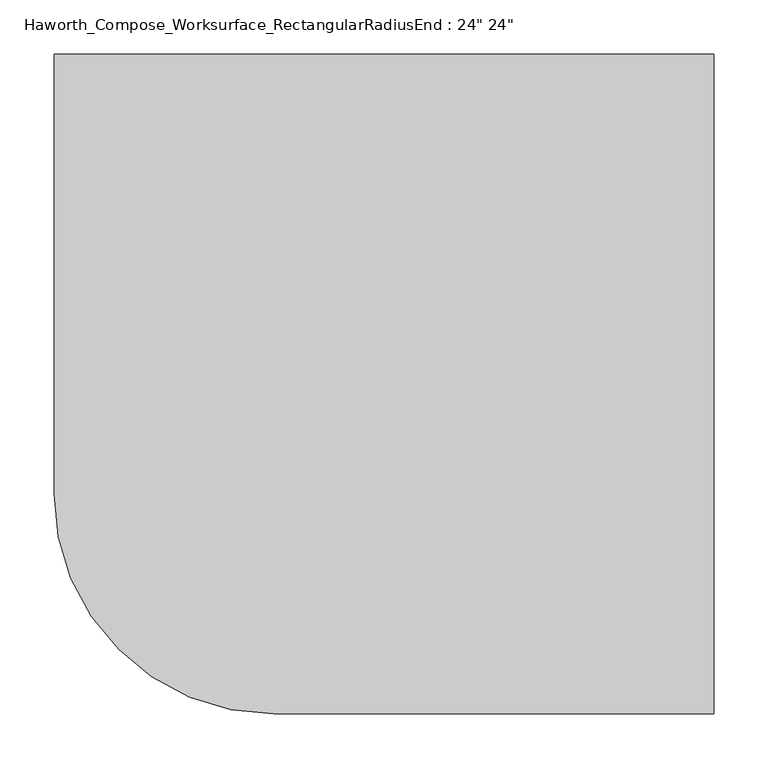
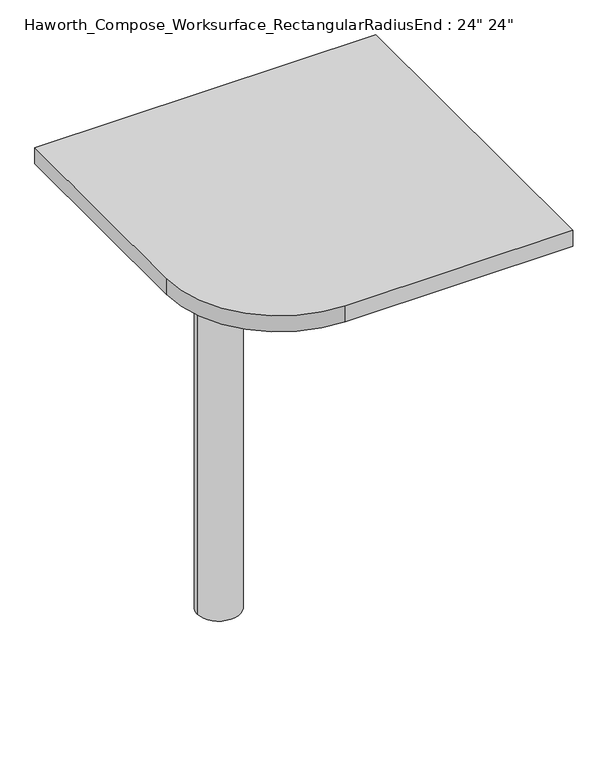
"""IFC4 building model written with IfcOpenShell, lengths in millimetres: furniture geometry."""

import ifcopenshell
import ifcopenshell.guid

model = None  # the IFC model being written
_history = None  # IfcOwnerHistory: only IFC2X3 demands one
_inside = {}  # id of a spatial element -> (the spatial element, [elements in it])
_under = {}  # id of a project, library or spatial element -> (it, [spatial elements below it])
_declared = {}  # id of a project -> (the project, [libraries it declares])
_typed = {}  # id of a type object -> (the type object, [elements of that type])
_made_of = {}  # id of a material, layer set ... -> (it, [elements and type objects made of it])


def new_model(schema):
    """Start an empty IFC model of exactly this schema.

    Asked for "IFC4X3", IfcOpenShell would pick the latest addendum, in which some entities
    have other attributes; the version numbers below select the first issue.
    IFC2X3 requires an IfcOwnerHistory on every rooted entity: one is made here for all.
    """
    global model, _history
    if schema == "IFC4X3":
        model = ifcopenshell.file(schema_version=(4, 3, 0, 0))
    else:
        model = ifcopenshell.file(schema=schema)
    _inside.clear()
    _under.clear()
    _declared.clear()
    _typed.clear()
    _made_of.clear()
    _history = None
    if model.schema == "IFC2X3":
        org = make("IfcOrganization", Name="unknown")
        user = make(
            "IfcPersonAndOrganization",
            ThePerson=make("IfcPerson", FamilyName="unknown"),
            TheOrganization=org,
        )
        app = make(
            "IfcApplication",
            ApplicationDeveloper=org,
            Version="unknown",
            ApplicationFullName="unknown",
            ApplicationIdentifier="unknown",
        )
        _history = make(
            "IfcOwnerHistory",
            OwningUser=user,
            OwningApplication=app,
            ChangeAction="ADDED",
            CreationDate=0,
        )
    return model


def make(cls, **values):
    """One entity of the class cls with the attributes given. An attribute that is None is left unset."""
    return model.create_entity(
        cls, **{name: value for name, value in values.items() if value is not None}
    )


def rooted(cls, **values):
    """An entity with a GlobalId (a new one), such as an element, a storey or a relation."""
    return make(cls, GlobalId=ifcopenshell.guid.new(), OwnerHistory=_history, **values)


def si_unit(unit_type, name, prefix=None):
    """IfcSIUnit, for example si_unit("LENGTHUNIT", "METRE", prefix="MILLI")."""
    return make("IfcSIUnit", UnitType=unit_type, Prefix=prefix, Name=name)


def assignment(units):
    """IfcUnitAssignment: the units of a project."""
    return None if units is None else make("IfcUnitAssignment", Units=units)


def point(xyz):
    """IfcCartesianPoint."""
    return None if xyz is None else make("IfcCartesianPoint", Coordinates=xyz)


def direction(xyz):
    """IfcDirection."""
    return None if xyz is None else make("IfcDirection", DirectionRatios=xyz)


def frame(location, z_axis=None, x_axis=None):
    """IfcAxis2Placement3D, a coordinate frame: its origin and axes. An axis left out is left unset."""
    return make(
        "IfcAxis2Placement3D",
        Location=point(location),
        Axis=direction(z_axis),
        RefDirection=direction(x_axis),
    )


def frame_2d(location, x_axis=None):
    """IfcAxis2Placement2D, a coordinate frame in the plane: its origin and x axis."""
    return make(
        "IfcAxis2Placement2D", Location=point(location), RefDirection=direction(x_axis)
    )


def origin():
    """The frame at (0, 0, 0) with its axes left unset."""
    return frame((0.0, 0.0, 0.0))


def place(relative_to, where):
    """IfcLocalPlacement: puts the frame where relative to a parent placement (None: the world)."""
    return make(
        "IfcLocalPlacement", PlacementRelTo=relative_to, RelativePlacement=where
    )


def context(
    kind, dimensions, precision=None, world=None, true_north=None, identifier=None
):
    """IfcGeometricRepresentationContext, for example the 3D "Model" context."""
    return make(
        "IfcGeometricRepresentationContext",
        ContextIdentifier=identifier,
        ContextType=kind,
        CoordinateSpaceDimension=dimensions,
        Precision=precision,
        WorldCoordinateSystem=world,
        TrueNorth=true_north,
    )


def project(units=None, contexts=None):
    """IfcProject with its units and contexts."""
    return rooted(
        "IfcProject",
        Name="project",
        RepresentationContexts=contexts,
        UnitsInContext=assignment(units),
    )


def spatial(cls, under=None, at=None, **own):
    """A site, building, storey or space (cls), placed at a placement, below another one or the project."""
    s = rooted(cls, ObjectPlacement=at, **own)
    if under is not None:
        _under.setdefault(under.id(), (under, []))[1].append(s)
    return s


def polyline(points):
    """IfcPolyline through the points."""
    return make("IfcPolyline", Points=[point(p) for p in points])


def circle_curve(where, radius):
    """IfcCircle in the frame where."""
    return make("IfcCircle", Position=where, Radius=radius)


def trimmed(basis, trim1, trim2, sense, master):
    """IfcTrimmedCurve: the piece of a basis curve between two trims."""
    return make(
        "IfcTrimmedCurve",
        BasisCurve=basis,
        Trim1=trim1,
        Trim2=trim2,
        SenseAgreement=sense,
        MasterRepresentation=master,
    )


def segment(curve, same_sense, transition):
    """IfcCompositeCurveSegment."""
    return make(
        "IfcCompositeCurveSegment",
        Transition=transition,
        SameSense=same_sense,
        ParentCurve=curve,
    )


def composite_curve(segments, self_intersect=None):
    """IfcCompositeCurve: segments joined end to end."""
    return make("IfcCompositeCurve", Segments=segments, SelfIntersect=self_intersect)


def outline(outer, holes=None, kind="AREA"):
    """IfcArbitraryClosedProfileDef: a profile drawn as a closed curve; with holes, ...WithVoids."""
    if holes is None:
        return make("IfcArbitraryClosedProfileDef", ProfileType=kind, OuterCurve=outer)
    return make(
        "IfcArbitraryProfileDefWithVoids",
        ProfileType=kind,
        OuterCurve=outer,
        InnerCurves=holes,
    )


def extrude(swept, where, along, depth):
    """IfcExtrudedAreaSolid: the profile swept, set in the frame where, extruded along a direction by depth."""
    return make(
        "IfcExtrudedAreaSolid",
        SweptArea=swept,
        Position=where,
        ExtrudedDirection=direction(along),
        Depth=depth,
    )


def shape(context_of_items, identifier, shape_type, items):
    """IfcShapeRepresentation: the items that make up one representation, for example the "Body"."""
    return make(
        "IfcShapeRepresentation",
        ContextOfItems=context_of_items,
        RepresentationIdentifier=identifier,
        RepresentationType=shape_type,
        Items=items,
    )


def source(mapping_origin, context_of_items, identifier, shape_type, items):
    """IfcRepresentationMap: a shape defined once, which mapped items show again and again."""
    return make(
        "IfcRepresentationMap",
        MappingOrigin=mapping_origin,
        MappedRepresentation=shape(context_of_items, identifier, shape_type, items),
    )


def transform(
    local_origin,
    x_axis=None,
    y_axis=None,
    z_axis=None,
    scale=None,
    scale2=None,
    scale3=None,
    uniform=True,
):
    """IfcCartesianTransformationOperator3D, or its non-uniform kind. x_axis, y_axis, z_axis: its Axis1, 2, 3."""
    if uniform:
        return make(
            "IfcCartesianTransformationOperator3D",
            Axis1=direction(x_axis),
            Axis2=direction(y_axis),
            LocalOrigin=point(local_origin),
            Scale=scale,
            Axis3=direction(z_axis),
        )
    return make(
        "IfcCartesianTransformationOperator3DnonUniform",
        Axis1=direction(x_axis),
        Axis2=direction(y_axis),
        LocalOrigin=point(local_origin),
        Scale=scale,
        Axis3=direction(z_axis),
        Scale2=scale2,
        Scale3=scale3,
    )


def mapped(mapping_source, mapping_target):
    """IfcMappedItem: shows the shape of a source again, moved by a transform."""
    return make(
        "IfcMappedItem", MappingSource=mapping_source, MappingTarget=mapping_target
    )


def made_of(thing, what):
    """Note that an element or type object is made of a material, layer set ...; save() writes the relation."""
    if what is not None:
        _made_of.setdefault(what.id(), (what, []))[1].append(thing)
    return thing


def element(
    cls,
    number,
    at=None,
    inside=None,
    cuts=None,
    type_object=None,
    material=None,
    context=None,
    identifier="Body",
    shape_type=None,
    held_by="IfcProductDefinitionShape",
    body=None,
    shapes=None,
    **own,
):
    """One element of the class cls, such as IfcWall. Its Tag is "e" and its number.

    at: its placement. inside: the storey or other place that contains it. cuts: it is an
    opening in that element (IfcRelVoidsElement). A single representation is given by context,
    identifier, shape_type and body (its items); several are given by shapes. held_by: the class
    of the entity that holds the representations. save() writes the other relations.
    """
    e = rooted(cls, Tag="e%d" % number, ObjectPlacement=at, **own)
    if body is not None:
        shapes = [shape(context, identifier, shape_type, body)]
    if shapes is not None:
        e.Representation = make(held_by, Representations=shapes)
    if inside is not None:
        _inside.setdefault(inside.id(), (inside, []))[1].append(e)
    if cuts is not None:
        rooted(
            "IfcRelVoidsElement", RelatingBuildingElement=cuts, RelatedOpeningElement=e
        )
    if type_object is not None:
        _typed.setdefault(type_object.id(), (type_object, []))[1].append(e)
    return made_of(e, material)


def aggregate(whole, parts):
    """IfcRelAggregates: a whole, such as a stair, and the parts it consists of."""
    return rooted("IfcRelAggregates", RelatingObject=whole, RelatedObjects=parts)


def save(model, path):
    """Write the relations noted so far, then the file.

    IfcRelAggregates (storeys below a building ...), IfcRelContainedInSpatialStructure (elements
    in a storey), IfcRelDefinesByType, IfcRelAssociatesMaterial and IfcRelDeclares: one each for
    every whole, place, type object, material and project.
    """
    for whole, parts in _under.values():
        aggregate(whole, parts)
    for where, things in _inside.values():
        rooted(
            "IfcRelContainedInSpatialStructure",
            RelatedElements=things,
            RelatingStructure=where,
        )
    for kind, things in _typed.values():
        rooted("IfcRelDefinesByType", RelatedObjects=things, RelatingType=kind)
    for what, things in _made_of.values():
        rooted("IfcRelAssociatesMaterial", RelatedObjects=things, RelatingMaterial=what)
    for by, libraries in _declared.values():
        rooted("IfcRelDeclares", RelatingContext=by, RelatedDefinitions=libraries)
    model.write(path)


def plane_surface(at):
    """IfcPlane: the flat surface through the origin of the frame at, square to its z axis."""
    return make("IfcPlane", Position=at)


def cylinder_surface(at, radius):
    """IfcCylindricalSurface: all points at the distance radius from the z axis of the frame at."""
    return make("IfcCylindricalSurface", Position=at, Radius=radius)


def revolved_surface(curve, axis_point, axis_direction):
    """IfcSurfaceOfRevolution: the curve turned about the line through axis_point along axis_direction."""
    return make(
        "IfcSurfaceOfRevolution",
        SweptCurve=make("IfcArbitraryOpenProfileDef", ProfileType="CURVE", Curve=curve),
        AxisPosition=make("IfcAxis1Placement", Location=point(axis_point), Axis=direction(axis_direction)),
    )


def advanced_brep(points, edges, surfaces, faces):
    """IfcAdvancedBrep: a solid bounded by faces that lie on surfaces and meet in shared edges.

    An edge is (start, end): straight between two places in points (the first is 0);
    or (start, end, curve); or (start, end, curve, False) where it runs against its curve.
    A face is (place in surfaces, loops), or (place, loops, False) where it looks against
    its surface's normal. A loop lists edges by number (the first is 1), with a minus sign
    where the edge is run from its end to its start. The first loop is the outer one.
    """
    corners = [point(p) for p in points]
    vertices = [make("IfcVertexPoint", VertexGeometry=c) for c in corners]
    made = []
    for start, end, *more in edges:
        made.append(
            make(
                "IfcEdgeCurve",
                EdgeStart=vertices[start],
                EdgeEnd=vertices[end],
                EdgeGeometry=more[0] if more else make("IfcPolyline", Points=[corners[start], corners[end]]),
                SameSense=more[1] if len(more) > 1 else True,
            )
        )
    hull = []
    for where, loops, *sense in faces:
        bounds = []
        for j, loop in enumerate(loops):
            ring = [make("IfcOrientedEdge", EdgeElement=made[abs(k) - 1], Orientation=k > 0) for k in loop]
            bounds.append(
                make(
                    "IfcFaceOuterBound" if j == 0 else "IfcFaceBound",
                    Bound=make("IfcEdgeLoop", EdgeList=ring),
                    Orientation=True,
                )
            )
        hull.append(make("IfcAdvancedFace", Bounds=bounds, FaceSurface=surfaces[where], SameSense=sense[0] if sense else True))
    return make("IfcAdvancedBrep", Outer=make("IfcClosedShell", CfsFaces=hull))


def furniture_d5c6247b(model_context):
    return source(origin(), model_context, "Body", "SolidModel", [
        advanced_brep(
        [(299.24375, 304.8, 475.45625), (299.24375, 288.925, 475.45625), (299.24375, -101.6, 691.7192568), (299.24375, -101.6, 704.05625), (299.24375, 288.925, 704.05625), (299.24375, 304.8, 704.05625), (299.24375, 221.490072, 665.95625), (299.24375, 177.8355284, 665.95625), (299.24375, 175.1564235, 656.3705539), (299.24375, 266.8776173, 605.5776439), (299.24375, 276.225, 611.1756969), (299.24375, 276.225, 634.6860246), (299.24375, 274.4730055, 637.5242776), (299.24375, 224.5663437, 665.1613425), (301.625, 304.8, 475.45625), (301.625, 304.8, 704.05625), (301.625, 288.925, 704.05625), (301.625, 288.925, 706.4375), (301.625, -101.6, 706.4375), (301.625, -101.6, 691.7192568), (301.625, 288.925, 475.45625), (301.625, 221.490072, 665.95625), (301.625, 224.5663437, 665.1613425), (301.625, 274.4730055, 637.5242776), (301.625, 276.225, 634.6860246), (301.625, 276.225, 611.1756969), (301.625, 266.8776173, 605.5776439), (301.625, 175.1564235, 656.3705539), (301.625, 177.8355284, 665.95625), (260.35, -101.6, 706.4375), (260.35, -101.6, 704.05625), (260.35, 288.925, 704.05625), (260.35, 288.925, 706.4375)],
        [
            (0, 1),
            (1, 2),
            (2, 3),
            (3, 4),
            (4, 5),
            (5, 0),
            (6, 7),
            (7, 8, circle_curve(frame((299.24375, 177.8355284, 660.7890106), z_axis=(1.0, 0.0, 0.0), x_axis=(0.0, -1.0, 0.0)), 5.1672394)),
            (8, 9),
            (9, 10, circle_curve(frame((299.24375, 269.875, 611.1756969), z_axis=(1.0, 0.0, 0.0), x_axis=(0.0, -1.0, 0.0)), 6.35)),
            (10, 11),
            (11, 12, circle_curve(frame((299.24375, 273.05, 634.6860246), z_axis=(1.0, 0.0, 0.0), x_axis=(0.0, -1.0, 0.0)), 3.175)),
            (12, 13),
            (13, 6, circle_curve(frame((299.24375, 221.490072, 659.60625), z_axis=(1.0, 0.0, 0.0), x_axis=(0.0, -1.0, 0.0)), 6.35)),
            (14, 15),
            (15, 16),
            (16, 17),
            (17, 18),
            (18, 19),
            (19, 20),
            (20, 14),
            (21, 22, circle_curve(frame((301.625, 221.490072, 659.60625), z_axis=(-1.0, 0.0, 0.0), x_axis=(0.0, -1.0, 0.0)), 6.35)),
            (22, 23),
            (23, 24, circle_curve(frame((301.625, 273.05, 634.6860246), z_axis=(-1.0, 0.0, 0.0), x_axis=(0.0, -1.0, 0.0)), 3.175)),
            (24, 25),
            (25, 26, circle_curve(frame((301.625, 269.875, 611.1756969), z_axis=(-1.0, 0.0, 0.0), x_axis=(0.0, -1.0, 0.0)), 6.35)),
            (26, 27),
            (27, 28, circle_curve(frame((301.625, 177.8355284, 660.7890106), z_axis=(-1.0, 0.0, 0.0), x_axis=(0.0, -1.0, 0.0)), 5.1672394)),
            (28, 21),
            (4, 16),
            (15, 5),
            (14, 0),
            (20, 1),
            (19, 2),
            (18, 29),
            (29, 30),
            (30, 3),
            (6, 21),
            (28, 7),
            (9, 26),
            (25, 10),
            (24, 11),
            (23, 12),
            (27, 8),
            (31, 4),
            (30, 31),
            (32, 29),
            (17, 32),
            (31, 32),
            (22, 13),
        ],
        [
            plane_surface(frame((299.24375, 304.8, 475.45625), z_axis=(-1.0, 0.0, 0.0), x_axis=(0.0, 1.0, 0.0))),
            plane_surface(frame((301.625, 304.8, 475.45625), z_axis=(1.0, 0.0, 0.0), x_axis=(0.0, -1.0, 0.0))),
            plane_surface(frame((301.625, -101.6, 704.05625), z_axis=(0.0, 0.0, 1.0), x_axis=(-1.0, 0.0, 0.0))),
            plane_surface(frame((301.625, 304.8, 704.05625), z_axis=(0.0, 1.0, 0.0), x_axis=(-1.0, 0.0, 0.0))),
            plane_surface(frame((301.625, 304.8, 475.45625), z_axis=(0.0, 0.0, -1.0), x_axis=(-1.0, 0.0, 0.0))),
            plane_surface(frame((301.625, 288.925, 475.45625), z_axis=(0.0, -0.48445223513455843, -0.8748177135112952), x_axis=(-1.0, 0.0, 0.0))),
            plane_surface(frame((301.625, -101.6, 691.7192568), z_axis=(0.0, -1.0, 0.0), x_axis=(-1.0, 0.0, 0.0))),
            plane_surface(frame((301.625, 221.490072, 665.95625), z_axis=(0.0, 0.0, -1.0), x_axis=(-1.0, 0.0, 0.0))),
            revolved_surface(polyline([(299.24375, 263.525, 611.1756969), (301.625, 263.525, 611.1756969)]), (301.625, 269.875, 611.1756969), (-1.0, 0.0, 0.0)),
            plane_surface(frame((301.625, 276.225, 611.1756969), z_axis=(0.0, -1.0, 0.0), x_axis=(-1.0, 0.0, 0.0))),
            revolved_surface(polyline([(299.24375, 269.875, 634.6860246), (301.625, 269.875, 634.6860246)]), (301.625, 273.05, 634.6860246), (-1.0, 0.0, 0.0)),
            revolved_surface(polyline([(299.24375, 172.668289, 660.7890106), (301.625, 172.668289, 660.7890106)]), (301.625, 177.8355284, 660.7890106), (-1.0, 0.0, 0.0)),
            plane_surface(frame((301.625, 288.925, 704.05625), z_axis=(0.0, 0.0, -1.0), x_axis=(-1.0, 0.0, 0.0))),
            plane_surface(frame((301.625, 288.925, 706.4375), z_axis=(0.0, 0.0, 1.0), x_axis=(1.0, 0.0, 0.0))),
            plane_surface(frame((260.35, 288.925, 706.4375), z_axis=(0.0, 1.0, 0.0), x_axis=(0.0, 0.0, -1.0))),
            plane_surface(frame((260.35, -101.6, 706.4375), z_axis=(-1.0, 0.0, 0.0), x_axis=(0.0, 0.0, -1.0))),
            plane_surface(frame((301.625, 175.1564235, 656.3705539), z_axis=(0.0, 0.4844522351345583, 0.8748177135112953), x_axis=(-1.0, 0.0, 0.0))),
            plane_surface(frame((301.625, 274.4730055, 637.5242776), z_axis=(0.0, -0.4844522351345582, -0.8748177135112953), x_axis=(-1.0, 0.0, 0.0))),
            revolved_surface(polyline([(299.24375, 215.140072, 659.60625), (301.625, 215.140072, 659.60625)]), (301.625, 221.490072, 659.60625), (-1.0, 0.0, 0.0)),
        ],
        [
            (0, [[1, 2, 3, 4, 5, 6], [7, 8, 9, 10, 11, 12, 13, 14]]),
            (1, [[15, 16, 17, 18, 19, 20, 21], [22, 23, 24, 25, 26, 27, 28, 29]]),
            (2, [[-5, 30, -16, 31]]),
            (3, [[-31, -15, 32, -6]]),
            (4, [[-32, -21, 33, -1]]),
            (5, [[-33, -20, 34, -2]]),
            (6, [[-34, -19, 35, 36, 37, -3]]),
            (7, [[38, -29, 39, -7]]),
            (8, [[40, -26, 41, -10]]),
            (9, [[-41, -25, 42, -11]]),
            (10, [[-42, -24, 43, -12]]),
            (11, [[-39, -28, 44, -8]]),
            (12, [[45, -4, -37, 46]]),
            (13, [[47, -35, -18, 48]]),
            (14, [[-17, -30, -45, 49, -48]]),
            (15, [[-36, -47, -49, -46]]),
            (16, [[-44, -27, -40, -9]]),
            (17, [[-43, -23, 50, -13]]),
            (18, [[-50, -22, -38, -14]]),
        ],
    ),
        advanced_brep(
        [(-114.3, 0.0, 706.4375), (-190.5, 0.0, 706.4375), (-152.4, 0.0, 706.4375), (-114.3, 0.0, 0.0), (-190.5, 0.0, 0.0), (-152.4, 0.0, 0.0)],
        [
            (0, 1, circle_curve(frame((-152.4, 0.0, 706.4375), z_axis=(0.0, 0.0, 1.0), x_axis=(-1.0, 0.0, 0.0)), 38.1)),
            (1, 2),
            (2, 0),
            (1, 0, circle_curve(frame((-152.4, 0.0, 706.4375), z_axis=(0.0, 0.0, 1.0), x_axis=(-1.0, 0.0, 0.0)), 38.1)),
            (3, 4, circle_curve(frame((-152.4, 0.0, 0.0), z_axis=(0.0, 0.0, 1.0), x_axis=(-1.0, 0.0, 0.0)), 38.1)),
            (4, 1),
            (0, 3),
            (4, 3, circle_curve(frame((-152.4, 0.0, 0.0), z_axis=(0.0, 0.0, 1.0), x_axis=(-1.0, 0.0, 0.0)), 38.1)),
            (5, 4),
            (3, 5),
        ],
        [
            plane_surface(frame((-152.4, 0.0, 706.4375), z_axis=(0.0, 0.0, 1.0), x_axis=(-1.0, 0.0, 0.0))),
            cylinder_surface(frame((-152.4, 0.0, 889.623257), z_axis=(0.0, 0.0, -1.0), x_axis=(-1.0, 0.0, 0.0)), 38.1),
            plane_surface(frame((-152.4, 0.0, 0.0), z_axis=(0.0, 0.0, -1.0), x_axis=(-1.0, 0.0, 0.0))),
        ],
        [
            (0, [[1, 2, 3]]),
            (0, [[4, -3, -2]]),
            (1, [[5, 6, -1, 7]]),
            (1, [[8, -7, -4, -6]]),
            (2, [[9, -5, 10]]),
            (2, [[-10, -8, -9]]),
        ],
    ),
        extrude(outline(composite_curve([segment(polyline([(304.8, 304.8), (304.8, -304.8), (-101.6, -304.8)]), True, "CONTINUOUS"), segment(trimmed(circle_curve(frame_2d((-101.6, -101.6)), 203.2), [point((-101.6, -304.8))], [point((-304.8, -101.6))], False, "CARTESIAN"), True, "CONTINUOUS"), segment(polyline([(-304.8, -101.6), (-304.8, 304.8), (304.8, 304.8)]), True, "CONTINUOUS")], self_intersect=False)), frame((0.0, 0.0, 706.4375), z_axis=(0.0, 0.0, 1.0), x_axis=(1.0, 0.0, 0.0)), (0.0, 0.0, 1.0), 30.1625),
    ])


if __name__ == "__main__":
    model = new_model("IFC4")
    model_context = context("Model", 3, world=origin())
    ifc_project = project(units=[si_unit("LENGTHUNIT", "METRE", prefix="MILLI")], contexts=[model_context])
    site = spatial("IfcSite", under=ifc_project)
    building = spatial("IfcBuilding", under=site)
    placement = place(None, origin())
    furniture_shape = furniture_d5c6247b(model_context)
    element("IfcFurniture", 1, ObjectType="Haworth_Compose_Worksurface_RectangularRadiusEnd : 24\" 24\"", at=placement, inside=building, context=model_context, shape_type="MappedRepresentation", body=[
        mapped(furniture_shape, transform((0.0, 0.0, 0.0), x_axis=(1.0, 0.0, 0.0), y_axis=(0.0, 1.0, 0.0), z_axis=(0.0, 0.0, 1.0))),
    ])
    save(model, "model.ifc")
